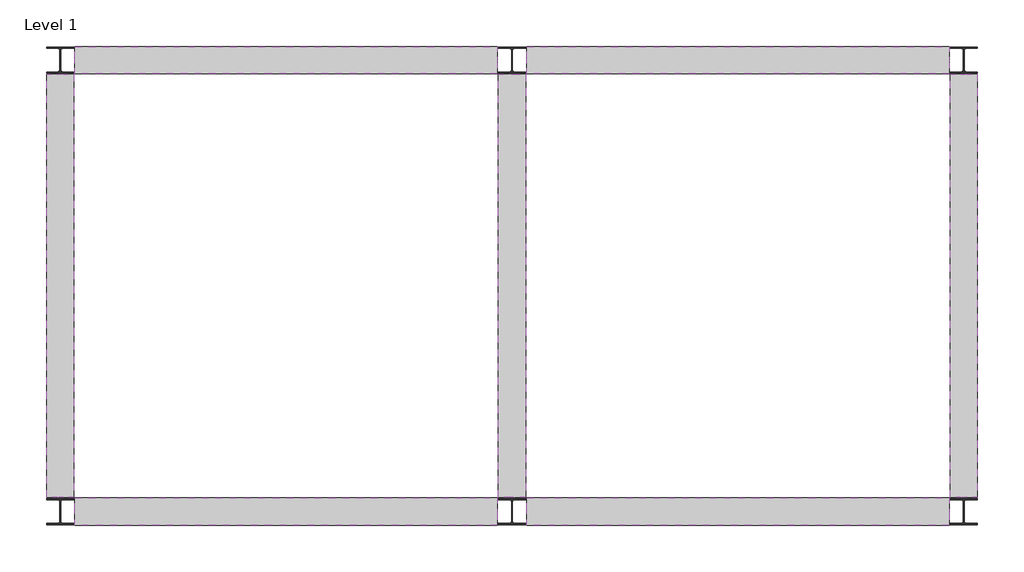
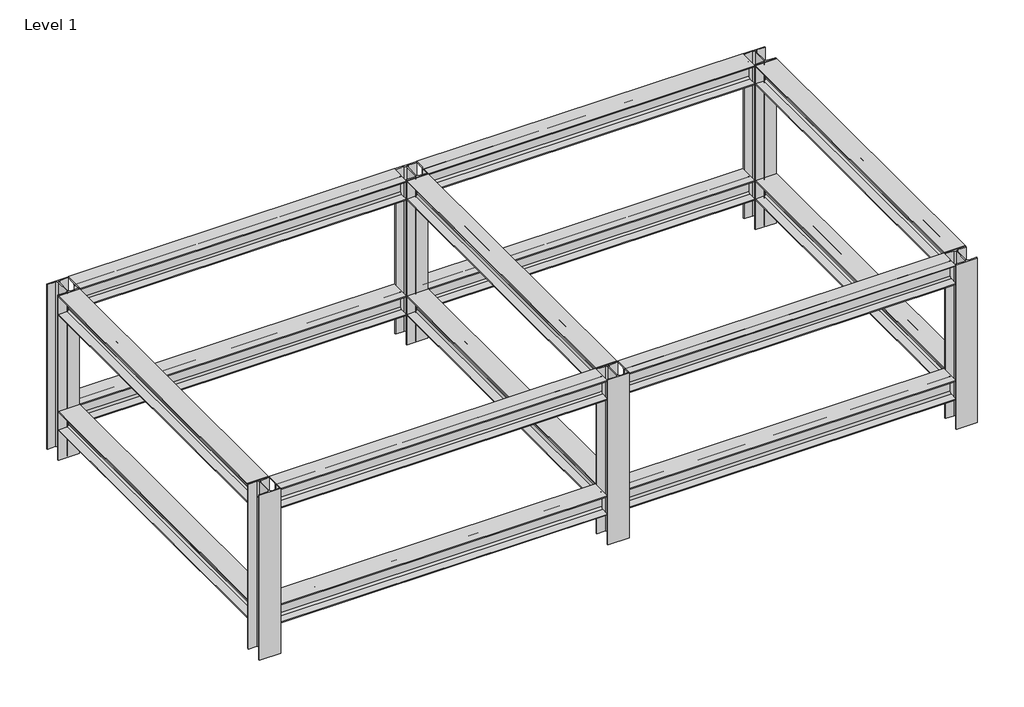
# One storey: 14 beams, 6 columns.
"""IFC4 building model written with IfcOpenShell, lengths in millimetres."""

import ifcopenshell
import ifcopenshell.guid

model = None  # the IFC model being written
_history = None  # IfcOwnerHistory: only IFC2X3 demands one
_inside = {}  # id of a spatial element -> (the spatial element, [elements in it])
_under = {}  # id of a project, library or spatial element -> (it, [spatial elements below it])
_declared = {}  # id of a project -> (the project, [libraries it declares])
_typed = {}  # id of a type object -> (the type object, [elements of that type])
_made_of = {}  # id of a material, layer set ... -> (it, [elements and type objects made of it])


def new_model(schema):
    """Start an empty IFC model of exactly this schema.

    Asked for "IFC4X3", IfcOpenShell would pick the latest addendum, in which some entities
    have other attributes; the version numbers below select the first issue.
    IFC2X3 requires an IfcOwnerHistory on every rooted entity: one is made here for all.
    """
    global model, _history
    if schema == "IFC4X3":
        model = ifcopenshell.file(schema_version=(4, 3, 0, 0))
    else:
        model = ifcopenshell.file(schema=schema)
    _inside.clear()
    _under.clear()
    _declared.clear()
    _typed.clear()
    _made_of.clear()
    _history = None
    if model.schema == "IFC2X3":
        org = make("IfcOrganization", Name="unknown")
        user = make(
            "IfcPersonAndOrganization",
            ThePerson=make("IfcPerson", FamilyName="unknown"),
            TheOrganization=org,
        )
        app = make(
            "IfcApplication",
            ApplicationDeveloper=org,
            Version="unknown",
            ApplicationFullName="unknown",
            ApplicationIdentifier="unknown",
        )
        _history = make(
            "IfcOwnerHistory",
            OwningUser=user,
            OwningApplication=app,
            ChangeAction="ADDED",
            CreationDate=0,
        )
    return model


def make(cls, **values):
    """One entity of the class cls with the attributes given. An attribute that is None is left unset."""
    return model.create_entity(
        cls, **{name: value for name, value in values.items() if value is not None}
    )


def rooted(cls, **values):
    """An entity with a GlobalId (a new one), such as an element, a storey or a relation."""
    return make(cls, GlobalId=ifcopenshell.guid.new(), OwnerHistory=_history, **values)


def si_unit(unit_type, name, prefix=None):
    """IfcSIUnit, for example si_unit("LENGTHUNIT", "METRE", prefix="MILLI")."""
    return make("IfcSIUnit", UnitType=unit_type, Prefix=prefix, Name=name)


def assignment(units):
    """IfcUnitAssignment: the units of a project."""
    return None if units is None else make("IfcUnitAssignment", Units=units)


def point(xyz):
    """IfcCartesianPoint."""
    return None if xyz is None else make("IfcCartesianPoint", Coordinates=xyz)


def direction(xyz):
    """IfcDirection."""
    return None if xyz is None else make("IfcDirection", DirectionRatios=xyz)


def frame(location, z_axis=None, x_axis=None):
    """IfcAxis2Placement3D, a coordinate frame: its origin and axes. An axis left out is left unset."""
    return make(
        "IfcAxis2Placement3D",
        Location=point(location),
        Axis=direction(z_axis),
        RefDirection=direction(x_axis),
    )


def frame_2d(location, x_axis=None):
    """IfcAxis2Placement2D, a coordinate frame in the plane: its origin and x axis."""
    return make(
        "IfcAxis2Placement2D", Location=point(location), RefDirection=direction(x_axis)
    )


def origin():
    """The frame at (0, 0, 0) with its axes left unset."""
    return frame((0.0, 0.0, 0.0))


def origin_with_axes():
    """The frame at (0, 0, 0) with the z axis (0, 0, 1) and the x axis (1, 0, 0) written out."""
    return frame((0.0, 0.0, 0.0), z_axis=(0.0, 0.0, 1.0), x_axis=(1.0, 0.0, 0.0))


def place(relative_to, where):
    """IfcLocalPlacement: puts the frame where relative to a parent placement (None: the world)."""
    return make(
        "IfcLocalPlacement", PlacementRelTo=relative_to, RelativePlacement=where
    )


def context(
    kind, dimensions, precision=None, world=None, true_north=None, identifier=None
):
    """IfcGeometricRepresentationContext, for example the 3D "Model" context."""
    return make(
        "IfcGeometricRepresentationContext",
        ContextIdentifier=identifier,
        ContextType=kind,
        CoordinateSpaceDimension=dimensions,
        Precision=precision,
        WorldCoordinateSystem=world,
        TrueNorth=true_north,
    )


def project(units=None, contexts=None):
    """IfcProject with its units and contexts."""
    return rooted(
        "IfcProject",
        Name="project",
        RepresentationContexts=contexts,
        UnitsInContext=assignment(units),
    )


def spatial(cls, under=None, at=None, **own):
    """A site, building, storey or space (cls), placed at a placement, below another one or the project."""
    s = rooted(cls, ObjectPlacement=at, **own)
    if under is not None:
        _under.setdefault(under.id(), (under, []))[1].append(s)
    return s


def polyline(points):
    """IfcPolyline through the points."""
    return make("IfcPolyline", Points=[point(p) for p in points])


def circle_curve(where, radius):
    """IfcCircle in the frame where."""
    return make("IfcCircle", Position=where, Radius=radius)


def trimmed(basis, trim1, trim2, sense, master):
    """IfcTrimmedCurve: the piece of a basis curve between two trims."""
    return make(
        "IfcTrimmedCurve",
        BasisCurve=basis,
        Trim1=trim1,
        Trim2=trim2,
        SenseAgreement=sense,
        MasterRepresentation=master,
    )


def segment(curve, same_sense, transition):
    """IfcCompositeCurveSegment."""
    return make(
        "IfcCompositeCurveSegment",
        Transition=transition,
        SameSense=same_sense,
        ParentCurve=curve,
    )


def composite_curve(segments, self_intersect=None):
    """IfcCompositeCurve: segments joined end to end."""
    return make("IfcCompositeCurve", Segments=segments, SelfIntersect=self_intersect)


def outline(outer, holes=None, kind="AREA"):
    """IfcArbitraryClosedProfileDef: a profile drawn as a closed curve; with holes, ...WithVoids."""
    if holes is None:
        return make("IfcArbitraryClosedProfileDef", ProfileType=kind, OuterCurve=outer)
    return make(
        "IfcArbitraryProfileDefWithVoids",
        ProfileType=kind,
        OuterCurve=outer,
        InnerCurves=holes,
    )


def extrude(swept, where, along, depth):
    """IfcExtrudedAreaSolid: the profile swept, set in the frame where, extruded along a direction by depth."""
    return make(
        "IfcExtrudedAreaSolid",
        SweptArea=swept,
        Position=where,
        ExtrudedDirection=direction(along),
        Depth=depth,
    )


def shape(context_of_items, identifier, shape_type, items):
    """IfcShapeRepresentation: the items that make up one representation, for example the "Body"."""
    return make(
        "IfcShapeRepresentation",
        ContextOfItems=context_of_items,
        RepresentationIdentifier=identifier,
        RepresentationType=shape_type,
        Items=items,
    )


def source(mapping_origin, context_of_items, identifier, shape_type, items):
    """IfcRepresentationMap: a shape defined once, which mapped items show again and again."""
    return make(
        "IfcRepresentationMap",
        MappingOrigin=mapping_origin,
        MappedRepresentation=shape(context_of_items, identifier, shape_type, items),
    )


def transform(
    local_origin,
    x_axis=None,
    y_axis=None,
    z_axis=None,
    scale=None,
    scale2=None,
    scale3=None,
    uniform=True,
):
    """IfcCartesianTransformationOperator3D, or its non-uniform kind. x_axis, y_axis, z_axis: its Axis1, 2, 3."""
    if uniform:
        return make(
            "IfcCartesianTransformationOperator3D",
            Axis1=direction(x_axis),
            Axis2=direction(y_axis),
            LocalOrigin=point(local_origin),
            Scale=scale,
            Axis3=direction(z_axis),
        )
    return make(
        "IfcCartesianTransformationOperator3DnonUniform",
        Axis1=direction(x_axis),
        Axis2=direction(y_axis),
        LocalOrigin=point(local_origin),
        Scale=scale,
        Axis3=direction(z_axis),
        Scale2=scale2,
        Scale3=scale3,
    )


def mapped(mapping_source, mapping_target):
    """IfcMappedItem: shows the shape of a source again, moved by a transform."""
    return make(
        "IfcMappedItem", MappingSource=mapping_source, MappingTarget=mapping_target
    )


def made_of(thing, what):
    """Note that an element or type object is made of a material, layer set ...; save() writes the relation."""
    if what is not None:
        _made_of.setdefault(what.id(), (what, []))[1].append(thing)
    return thing


def element(
    cls,
    number,
    at=None,
    inside=None,
    cuts=None,
    type_object=None,
    material=None,
    context=None,
    identifier="Body",
    shape_type=None,
    held_by="IfcProductDefinitionShape",
    body=None,
    shapes=None,
    **own,
):
    """One element of the class cls, such as IfcWall. Its Tag is "e" and its number.

    at: its placement. inside: the storey or other place that contains it. cuts: it is an
    opening in that element (IfcRelVoidsElement). A single representation is given by context,
    identifier, shape_type and body (its items); several are given by shapes. held_by: the class
    of the entity that holds the representations. save() writes the other relations.
    """
    e = rooted(cls, Tag="e%d" % number, ObjectPlacement=at, **own)
    if body is not None:
        shapes = [shape(context, identifier, shape_type, body)]
    if shapes is not None:
        e.Representation = make(held_by, Representations=shapes)
    if inside is not None:
        _inside.setdefault(inside.id(), (inside, []))[1].append(e)
    if cuts is not None:
        rooted(
            "IfcRelVoidsElement", RelatingBuildingElement=cuts, RelatedOpeningElement=e
        )
    if type_object is not None:
        _typed.setdefault(type_object.id(), (type_object, []))[1].append(e)
    return made_of(e, material)


def aggregate(whole, parts):
    """IfcRelAggregates: a whole, such as a stair, and the parts it consists of."""
    return rooted("IfcRelAggregates", RelatingObject=whole, RelatedObjects=parts)


def save(model, path):
    """Write the relations noted so far, then the file.

    IfcRelAggregates (storeys below a building ...), IfcRelContainedInSpatialStructure (elements
    in a storey), IfcRelDefinesByType, IfcRelAssociatesMaterial and IfcRelDeclares: one each for
    every whole, place, type object, material and project.
    """
    for whole, parts in _under.values():
        aggregate(whole, parts)
    for where, things in _inside.values():
        rooted(
            "IfcRelContainedInSpatialStructure",
            RelatedElements=things,
            RelatingStructure=where,
        )
    for kind, things in _typed.values():
        rooted("IfcRelDefinesByType", RelatedObjects=things, RelatingType=kind)
    for what, things in _made_of.values():
        rooted("IfcRelAssociatesMaterial", RelatedObjects=things, RelatingMaterial=what)
    for by, libraries in _declared.values():
        rooted("IfcRelDeclares", RelatingContext=by, RelatedDefinitions=libraries)
    model.write(path)


def w_wide_flange_w14x90_720231b1(model_context):
    return source(origin(), model_context, "Body", "SweptSolid", [
        extrude(outline(composite_curve([segment(polyline([(184.15, -159.7421875), (184.15, -177.8), (-184.15, -177.8), (-184.15, -159.7421875), (-38.3480469, -159.7421875)]), True, "CONTINUOUS"), segment(trimmed(circle_curve(frame_2d((-38.3480469, -127.0)), 32.7421875), [point((-38.3480469, -159.7421875))], [point((-5.6058594, -127.0))], True, "CARTESIAN"), True, "CONTINUOUS"), segment(polyline([(-5.6058594, -127.0), (-5.6058594, 127.0)]), True, "CONTINUOUS"), segment(trimmed(circle_curve(frame_2d((-38.3480469, 127.0)), 32.7421875), [point((-5.6058594, 127.0))], [point((-38.3480469, 159.7421875))], True, "CARTESIAN"), True, "CONTINUOUS"), segment(polyline([(-38.3480469, 159.7421875), (-184.15, 159.7421875), (-184.15, 177.8), (184.15, 177.8), (184.15, 159.7421875), (38.3480469, 159.7421875)]), True, "CONTINUOUS"), segment(trimmed(circle_curve(frame_2d((38.3480469, 127.0)), 32.7421875), [point((38.3480469, 159.7421875))], [point((5.6058594, 127.0))], True, "CARTESIAN"), True, "CONTINUOUS"), segment(polyline([(5.6058594, 127.0), (5.6058594, -127.0)]), True, "CONTINUOUS"), segment(trimmed(circle_curve(frame_2d((38.3480469, -127.0)), 32.7421875), [point((5.6058594, -127.0))], [point((38.3480469, -159.7421875))], True, "CARTESIAN"), True, "CONTINUOUS"), segment(polyline([(38.3480469, -159.7421875), (184.15, -159.7421875)]), True, "CONTINUOUS")], self_intersect=False)), frame((-2857.2519531, 0.0, 0.0), z_axis=(1.0, 0.0, 0.0), x_axis=(0.0, 1.0, 0.0)), (0.0, 0.0, 1.0), 5714.5039062),
    ])


def w_wide_flange_w14x90_57c74d5d(model_context):
    return source(origin(), model_context, "Body", "SweptSolid", [
        extrude(outline(composite_curve([segment(polyline([(184.15, -159.7421875), (184.15, -177.8), (-184.15, -177.8), (-184.15, -159.7421875), (-38.3480469, -159.7421875)]), True, "CONTINUOUS"), segment(trimmed(circle_curve(frame_2d((-38.3480469, -127.0)), 32.7421875), [point((-38.3480469, -159.7421875))], [point((-5.6058594, -127.0))], True, "CARTESIAN"), True, "CONTINUOUS"), segment(polyline([(-5.6058594, -127.0), (-5.6058594, 127.0)]), True, "CONTINUOUS"), segment(trimmed(circle_curve(frame_2d((-38.3480469, 127.0)), 32.7421875), [point((-5.6058594, 127.0))], [point((-38.3480469, 159.7421875))], True, "CARTESIAN"), True, "CONTINUOUS"), segment(polyline([(-38.3480469, 159.7421875), (-184.15, 159.7421875), (-184.15, 177.8), (184.15, 177.8), (184.15, 159.7421875), (38.3480469, 159.7421875)]), True, "CONTINUOUS"), segment(trimmed(circle_curve(frame_2d((38.3480469, 127.0)), 32.7421875), [point((38.3480469, 159.7421875))], [point((5.6058594, 127.0))], True, "CARTESIAN"), True, "CONTINUOUS"), segment(polyline([(5.6058594, 127.0), (5.6058594, -127.0)]), True, "CONTINUOUS"), segment(trimmed(circle_curve(frame_2d((38.3480469, -127.0)), 32.7421875), [point((5.6058594, -127.0))], [point((38.3480469, -159.7421875))], True, "CARTESIAN"), True, "CONTINUOUS"), segment(polyline([(38.3480469, -159.7421875), (184.15, -159.7421875)]), True, "CONTINUOUS")], self_intersect=False)), frame((-2850.9019531, 0.0, 0.0), z_axis=(1.0, 0.0, 0.0), x_axis=(0.0, 1.0, 0.0)), (0.0, 0.0, 1.0), 5701.8039062),
    ])


def w_wide_flange_column_w14x90_5622f429(model_context):
    return source(origin(), model_context, "Body", "SweptSolid", [
        extrude(outline(composite_curve([segment(polyline([(184.3980469, 178.0480469), (184.3980469, 159.9902344), (38.3480469, 159.9902344)]), True, "CONTINUOUS"), segment(trimmed(circle_curve(frame_2d((38.3480469, 127.2480469)), 32.7421875), [point((38.3480469, 159.9902344))], [point((5.6058594, 127.2480469))], True, "CARTESIAN"), True, "CONTINUOUS"), segment(polyline([(5.6058594, 127.2480469), (5.6058594, -127.2480469)]), True, "CONTINUOUS"), segment(trimmed(circle_curve(frame_2d((38.3480469, -127.2480469)), 32.7421875), [point((5.6058594, -127.2480469))], [point((38.3480469, -159.9902344))], True, "CARTESIAN"), True, "CONTINUOUS"), segment(polyline([(38.3480469, -159.9902344), (184.3980469, -159.9902344), (184.3980469, -178.0480469), (-184.3980469, -178.0480469), (-184.3980469, -159.9902344), (-38.3480469, -159.9902344)]), True, "CONTINUOUS"), segment(trimmed(circle_curve(frame_2d((-38.3480469, -127.2480469)), 32.7421875), [point((-38.3480469, -159.9902344))], [point((-5.6058594, -127.2480469))], True, "CARTESIAN"), True, "CONTINUOUS"), segment(polyline([(-5.6058594, -127.2480469), (-5.6058594, 127.2480469)]), True, "CONTINUOUS"), segment(trimmed(circle_curve(frame_2d((-38.3480469, 127.2480469)), 32.7421875), [point((-5.6058594, 127.2480469))], [point((-38.3480469, 159.9902344))], True, "CARTESIAN"), True, "CONTINUOUS"), segment(polyline([(-38.3480469, 159.9902344), (-184.3980469, 159.9902344), (-184.3980469, 178.0480469), (184.3980469, 178.0480469)]), True, "CONTINUOUS")], self_intersect=False)), origin_with_axes(), (0.0, 0.0, 1.0), 3048.0),
    ])


model = new_model("IFC4")

# Units and contexts
model_context = context("Model", 3, world=origin())
ifc_project = project(units=[si_unit("LENGTHUNIT", "METRE", prefix="MILLI")], contexts=[model_context])

# Site, building, storey
site = spatial("IfcSite", under=ifc_project)
building = spatial("IfcBuilding", under=site)
storey = spatial("IfcBuildingStorey", under=building, Name="Level 1", Elevation=0.0)

# Beams
placement = place(None, origin())
w_wide_flange_w14x90_shape = w_wide_flange_w14x90_720231b1(model_context)
element("IfcBeam", 1, ObjectType="W-Wide Flange : W14X90", at=placement, inside=storey, context=model_context, shape_type="MappedRepresentation", body=[
    mapped(w_wide_flange_w14x90_shape, transform((7924.7205422, -596.8072993, 736.6), x_axis=(0.0, -1.0, 0.0), y_axis=(1.0, 0.0, 0.0), z_axis=(0.0, 0.0, 1.0))),
])
element("IfcBeam", 2, ObjectType="W-Wide Flange : W14X90", at=placement, inside=storey, context=model_context, shape_type="MappedRepresentation", body=[
    mapped(w_wide_flange_w14x90_shape, transform((14020.7205422, -596.8072993, 736.6), x_axis=(0.0, 1.0, 0.0), y_axis=(-1.0, 0.0, 0.0), z_axis=(0.0, 0.0, 1.0))),
])
element("IfcBeam", 3, ObjectType="W-Wide Flange : W14X90", at=placement, inside=storey, context=model_context, shape_type="MappedRepresentation", body=[
    mapped(w_wide_flange_w14x90_shape, transform((1828.7205422, -596.8072993, 736.6), x_axis=(0.0, 1.0, 0.0), y_axis=(-1.0, 0.0, 0.0), z_axis=(0.0, 0.0, 1.0))),
])
element("IfcBeam", 4, ObjectType="W-Wide Flange : W14X90", at=placement, inside=storey, context=model_context, shape_type="MappedRepresentation", body=[
    mapped(w_wide_flange_w14x90_shape, transform((7924.7205422, -596.8072993, 2870.2), x_axis=(0.0, -1.0, 0.0), y_axis=(1.0, 0.0, 0.0), z_axis=(0.0, 0.0, 1.0))),
])
element("IfcBeam", 5, ObjectType="W-Wide Flange : W14X90", at=placement, inside=storey, context=model_context, shape_type="MappedRepresentation", body=[
    mapped(w_wide_flange_w14x90_shape, transform((14020.7205422, -596.8072993, 2870.2), x_axis=(0.0, 1.0, 0.0), y_axis=(-1.0, 0.0, 0.0), z_axis=(0.0, 0.0, 1.0))),
])
element("IfcBeam", 6, ObjectType="W-Wide Flange : W14X90", at=placement, inside=storey, context=model_context, shape_type="MappedRepresentation", body=[
    mapped(w_wide_flange_w14x90_shape, transform((1828.7205422, -596.8072993, 2870.2), x_axis=(0.0, 1.0, 0.0), y_axis=(-1.0, 0.0, 0.0), z_axis=(0.0, 0.0, 1.0))),
])
w_wide_flange_w14x90_2_shape = w_wide_flange_w14x90_57c74d5d(model_context)
element("IfcBeam", 7, ObjectType="W-Wide Flange : W14X90", at=placement, inside=storey, context=model_context, shape_type="MappedRepresentation", body=[
    mapped(w_wide_flange_w14x90_2_shape, transform((4876.7205422, 2451.1927007, 736.6), x_axis=(1.0, 0.0, 0.0), y_axis=(0.0, 1.0, 0.0), z_axis=(0.0, 0.0, 1.0))),
])
element("IfcBeam", 8, ObjectType="W-Wide Flange : W14X90", at=placement, inside=storey, context=model_context, shape_type="MappedRepresentation", body=[
    mapped(w_wide_flange_w14x90_2_shape, transform((10972.7205422, -3644.8072993, 736.6), x_axis=(1.0, 0.0, 0.0), y_axis=(0.0, 1.0, 0.0), z_axis=(0.0, 0.0, 1.0))),
])
element("IfcBeam", 9, ObjectType="W-Wide Flange : W14X90", at=placement, inside=storey, context=model_context, shape_type="MappedRepresentation", body=[
    mapped(w_wide_flange_w14x90_2_shape, transform((10972.7205422, 2451.1927007, 736.6), x_axis=(-1.0, 0.0, 0.0), y_axis=(0.0, -1.0, 0.0), z_axis=(0.0, 0.0, 1.0))),
])
element("IfcBeam", 10, ObjectType="W-Wide Flange : W14X90", at=placement, inside=storey, context=model_context, shape_type="MappedRepresentation", body=[
    mapped(w_wide_flange_w14x90_2_shape, transform((4876.7205422, -3644.8072993, 736.6), x_axis=(-1.0, 0.0, 0.0), y_axis=(0.0, -1.0, 0.0), z_axis=(0.0, 0.0, 1.0))),
])
element("IfcBeam", 11, ObjectType="W-Wide Flange : W14X90", at=placement, inside=storey, context=model_context, shape_type="MappedRepresentation", body=[
    mapped(w_wide_flange_w14x90_2_shape, transform((4876.7205422, 2451.1927007, 2870.2), x_axis=(1.0, 0.0, 0.0), y_axis=(0.0, 1.0, 0.0), z_axis=(0.0, 0.0, 1.0))),
])
element("IfcBeam", 12, ObjectType="W-Wide Flange : W14X90", at=placement, inside=storey, context=model_context, shape_type="MappedRepresentation", body=[
    mapped(w_wide_flange_w14x90_2_shape, transform((10972.7205422, -3644.8072993, 2870.2), x_axis=(1.0, 0.0, 0.0), y_axis=(0.0, 1.0, 0.0), z_axis=(0.0, 0.0, 1.0))),
])
element("IfcBeam", 13, ObjectType="W-Wide Flange : W14X90", at=placement, inside=storey, context=model_context, shape_type="MappedRepresentation", body=[
    mapped(w_wide_flange_w14x90_2_shape, transform((10972.7205422, 2451.1927007, 2870.2), x_axis=(-1.0, 0.0, 0.0), y_axis=(0.0, -1.0, 0.0), z_axis=(0.0, 0.0, 1.0))),
])
element("IfcBeam", 14, ObjectType="W-Wide Flange : W14X90", at=placement, inside=storey, context=model_context, shape_type="MappedRepresentation", body=[
    mapped(w_wide_flange_w14x90_2_shape, transform((4876.7205422, -3644.8072993, 2870.2), x_axis=(-1.0, 0.0, 0.0), y_axis=(0.0, -1.0, 0.0), z_axis=(0.0, 0.0, 1.0))),
])

# Columns
w_wide_flange_column_w14x90_shape = w_wide_flange_column_w14x90_5622f429(model_context)
element("IfcColumn", 15, ObjectType="W-Wide Flange-Column : W14X90", at=placement, inside=storey, context=model_context, shape_type="MappedRepresentation", body=[
    mapped(w_wide_flange_column_w14x90_shape, transform((1828.7205422, 2451.1927007, 0.0), x_axis=(1.0, 0.0, 0.0), y_axis=(0.0, 1.0, 0.0), z_axis=(0.0, 0.0, 1.0))),
])
element("IfcColumn", 16, ObjectType="W-Wide Flange-Column : W14X90", at=placement, inside=storey, context=model_context, shape_type="MappedRepresentation", body=[
    mapped(w_wide_flange_column_w14x90_shape, transform((7924.7205422, 2451.1927007, 0.0), x_axis=(1.0, 0.0, 0.0), y_axis=(0.0, 1.0, 0.0), z_axis=(0.0, 0.0, 1.0))),
])
element("IfcColumn", 17, ObjectType="W-Wide Flange-Column : W14X90", at=placement, inside=storey, context=model_context, shape_type="MappedRepresentation", body=[
    mapped(w_wide_flange_column_w14x90_shape, transform((14020.7205422, 2451.1927007, 0.0), x_axis=(1.0, 0.0, 0.0), y_axis=(0.0, 1.0, 0.0), z_axis=(0.0, 0.0, 1.0))),
])
element("IfcColumn", 18, ObjectType="W-Wide Flange-Column : W14X90", at=placement, inside=storey, context=model_context, shape_type="MappedRepresentation", body=[
    mapped(w_wide_flange_column_w14x90_shape, transform((1828.7205422, -3644.8072993, 0.0), x_axis=(1.0, 0.0, 0.0), y_axis=(0.0, 1.0, 0.0), z_axis=(0.0, 0.0, 1.0))),
])
element("IfcColumn", 19, ObjectType="W-Wide Flange-Column : W14X90", at=placement, inside=storey, context=model_context, shape_type="MappedRepresentation", body=[
    mapped(w_wide_flange_column_w14x90_shape, transform((7924.7205422, -3644.8072993, 0.0), x_axis=(1.0, 0.0, 0.0), y_axis=(0.0, 1.0, 0.0), z_axis=(0.0, 0.0, 1.0))),
])
element("IfcColumn", 20, ObjectType="W-Wide Flange-Column : W14X90", at=placement, inside=storey, context=model_context, shape_type="MappedRepresentation", body=[
    mapped(w_wide_flange_column_w14x90_shape, transform((14020.7205422, -3644.8072993, 0.0), x_axis=(1.0, 0.0, 0.0), y_axis=(0.0, 1.0, 0.0), z_axis=(0.0, 0.0, 1.0))),
])

save(model, "model.ifc")
